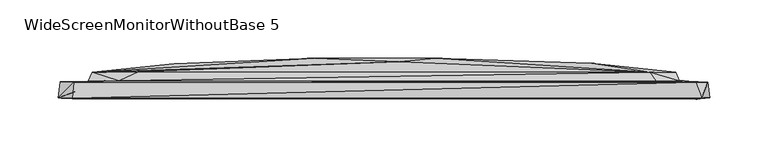
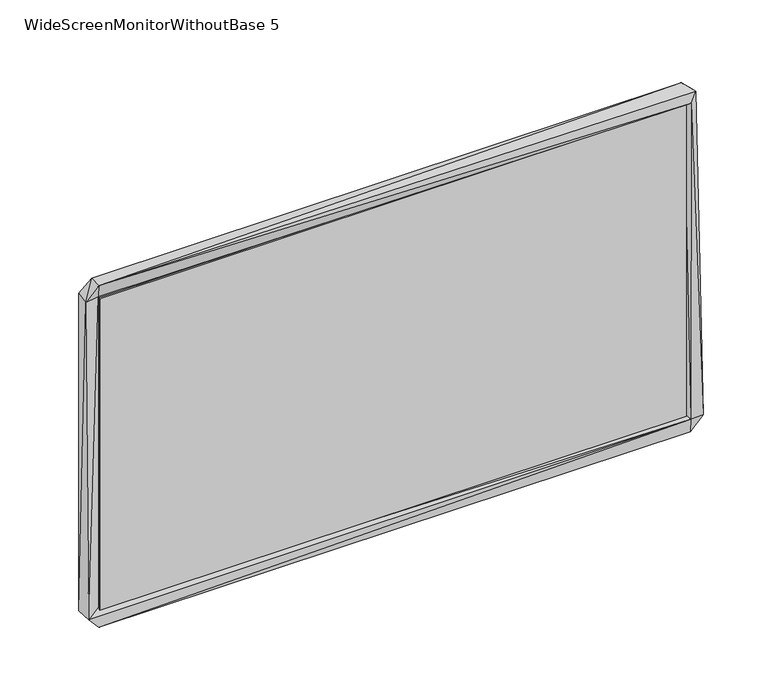
"""IFC4 building model written with IfcOpenShell, lengths in millimetres: furniture geometry, WideScreenMonitorWithoutBase 5."""

from ifc_helpers import new_model, si_unit, origin, place, context, project, spatial, triangles, source, transform, mapped, element, save


def widescreenmonitorwithoutbase_5_91415507(model_context):
    return source(origin(), model_context, "Body", "Tessellation", [
        triangles([(265.4945867, 0.6066826, 15.0040158), (265.4945867, 0.6066826, 313.3186661), (265.4945867, -0.6933174, 15.0040158), (265.4945867, -0.6933174, 313.3186661), (-265.4987288, -0.6933491, 313.3186661), (-265.4987288, 0.6066509, 313.3186661), (-265.4987288, 0.6066509, 15.0040158), (-265.4987288, -0.6933491, 15.0040158)], [[1, 2, 3], [3, 2, 4], [5, 4, 2], [5, 2, 6], [7, 1, 3], [7, 3, 8], [7, 6, 1], [7, 8, 5], [7, 5, 6], [8, 3, 4], [8, 4, 5], [1, 6, 2]]),
        triangles([(-278.0874045, 10.7199829, 12.0094062), (-253.7874342, 11.6199848, 41.187148), (-267.7874336, 10.5199838, 2.2094066), (-253.88741, 11.6199848, 289.3536136), (-277.9874288, 10.9199821, 315.6313519), (-276.9874353, -3.0800165, 11.6094067), (-279.7874279, -2.8800167, 315.9313336), (-268.0874153, -3.2800159, 1.4094068), (267.5831401, -3.6799838, 13.2094067), (-265.1874106, 2.7199838, 15.6094056), (-265.3874166, 2.2199842, 313.3313833), (267.7831279, -2.7799837, 0.5094067), (268.0831278, 11.0200146, 2.5094066), (-238.482391, 11.6199859, 22.9094074), (265.1831594, 2.7200156, 15.6094056), (265.1831594, 2.7200156, 313.1313592), (239.2780728, 11.6200143, 23.7094063), (-162.272308, 20.3199897, 24.909408), (-246.4874256, 18.9199855, 38.1871495), (-38.8571985, 27.4199992, 72.6871512), (226.7780727, 19.120013, 25.3094063), (43.9528858, 31.2200012, 157.7203875), (250.0831545, 19.220016, 46.3871531), (178.1730271, 26.7200124, 173.0203802), (253.6831528, 11.720015, 282.4536351), (278.0831533, 10.9200161, 13.109406), (267.8831582, -4.0799841, 315.9313336), (279.7831222, -2.8799832, 12.6094059), (278.0831533, 10.720017, 316.7313575), (272.7831316, -2.6799835, 324.4313599), (-250.3874238, 19.1199857, 283.1536287), (-180.1773379, 26.619989, 156.520388), (-59.6622286, 31.0199952, 172.8203924), (250.3831362, 19.3200144, 275.3536142), (13.2478571, 28.320001, 251.3758627), (228.4780779, 19.120013, 301.9313524), (-210.9823799, 19.5199863, 302.7313581), (-227.682378, 11.7199855, 305.7313385), (233.6780876, 11.7200139, 305.8313324), (267.5831401, 10.7200159, 326.4313468), (-267.6874034, -2.980016, 327.9313279), (-266.4874221, 10.6199845, 326.4313468)], [[1, 2, 3], [1, 4, 2], [1, 5, 4], [1, 3, 6], [1, 6, 7], [1, 7, 5], [6, 3, 8], [6, 8, 9], [6, 10, 11], [6, 11, 7], [6, 9, 10], [8, 3, 12], [8, 12, 9], [3, 13, 12], [3, 14, 13], [3, 2, 14], [10, 15, 16], [10, 16, 11], [10, 9, 15], [14, 17, 13], [14, 18, 17], [14, 2, 19], [14, 19, 18], [18, 19, 20], [18, 20, 21], [18, 21, 17], [21, 20, 22], [21, 23, 17], [21, 22, 24], [21, 24, 23], [17, 23, 25], [17, 26, 13], [17, 25, 26], [15, 9, 16], [9, 27, 16], [9, 12, 28], [9, 28, 27], [12, 13, 28], [13, 26, 28], [26, 25, 29], [26, 29, 28], [28, 29, 30], [28, 30, 27], [2, 4, 19], [19, 4, 31], [19, 32, 20], [19, 31, 32], [20, 32, 33], [20, 33, 22], [23, 34, 25], [23, 24, 34], [32, 31, 33], [33, 35, 22], [33, 31, 35], [22, 35, 36], [22, 36, 24], [24, 36, 34], [35, 31, 37], [35, 37, 36], [4, 5, 38], [4, 38, 31], [31, 38, 37], [34, 36, 25], [25, 39, 40], [25, 40, 29], [25, 36, 39], [7, 41, 42], [7, 42, 5], [7, 11, 41], [5, 42, 38], [41, 30, 40], [41, 11, 27], [41, 27, 30], [41, 40, 42], [42, 40, 38], [11, 16, 27], [38, 40, 39], [38, 36, 37], [38, 39, 36], [40, 30, 29]]),
    ])


if __name__ == "__main__":
    model = new_model("IFC4")
    model_context = context("Model", 3, world=origin())
    ifc_project = project(units=[si_unit("LENGTHUNIT", "METRE", prefix="MILLI")], contexts=[model_context])
    site = spatial("IfcSite", under=ifc_project)
    building = spatial("IfcBuilding", under=site)
    placement = place(None, origin())
    widescreenmonitorwithoutbase_5_shape = widescreenmonitorwithoutbase_5_91415507(model_context)
    element("IfcFurniture", 1, ObjectType="WideScreenMonitorWithoutBase 5", at=placement, inside=building, context=model_context, shape_type="MappedRepresentation", body=[
        mapped(widescreenmonitorwithoutbase_5_shape, transform((0.0, 0.0, 0.0), x_axis=(1.0, 0.0, 0.0), y_axis=(0.0, 1.0, 0.0), z_axis=(0.0, 0.0, 1.0))),
    ])
    save(model, "model.ifc")
